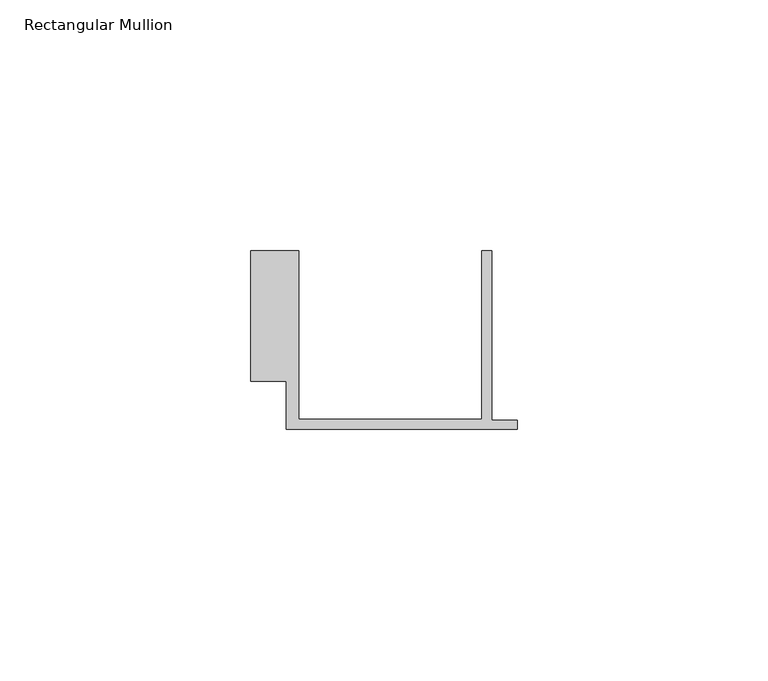
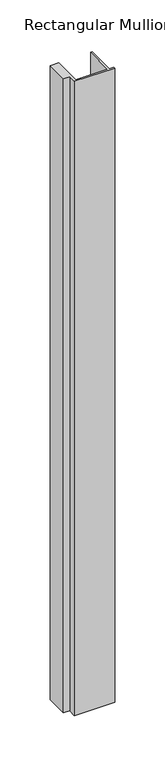
"""IFC4 building model written with IfcOpenShell, lengths in millimetres: member geometry, Rectangular Mullion."""

from ifc_helpers import new_model, si_unit, frame, origin, place, context, project, spatial, polyline, outline, extrude, source, transform, mapped, element, save


def rectangular_mullion_14ce2d72(model_context):
    return source(origin(), model_context, "Body", "SweptSolid", [
        extrude(outline(polyline([(-52.9999542, 15.0), (-43.5000151, 15.0), (-43.5000151, -18.5002486), (-7.0, -18.5002486), (-7.0, 15.0), (-5.0, 15.0), (-5.0, -18.7002486), (0.0, -18.7002486), (0.0, -20.5002486), (-45.9999994, -20.5002486), (-45.9999994, -10.9798304), (-52.9999542, -10.9798304), (-52.9999542, 15.0)])), frame((0.0, 0.0, -768.0001218), z_axis=(0.0, 0.0, 1.0), x_axis=(1.0, 0.0, 0.0)), (0.0, 0.0, 1.0), 768.0001218),
    ])


if __name__ == "__main__":
    model = new_model("IFC4")
    model_context = context("Model", 3, world=origin())
    ifc_project = project(units=[si_unit("LENGTHUNIT", "METRE", prefix="MILLI")], contexts=[model_context])
    site = spatial("IfcSite", under=ifc_project)
    building = spatial("IfcBuilding", under=site)
    placement = place(None, origin())
    rectangular_mullion_shape = rectangular_mullion_14ce2d72(model_context)
    element("IfcMember", 1, ObjectType="Rectangular Mullion", at=placement, inside=building, context=model_context, shape_type="MappedRepresentation", body=[
        mapped(rectangular_mullion_shape, transform((0.0, 0.0, 0.0), x_axis=(1.0, 0.0, 0.0), y_axis=(0.0, 1.0, 0.0), z_axis=(0.0, 0.0, 1.0))),
    ])
    save(model, "model.ifc")
